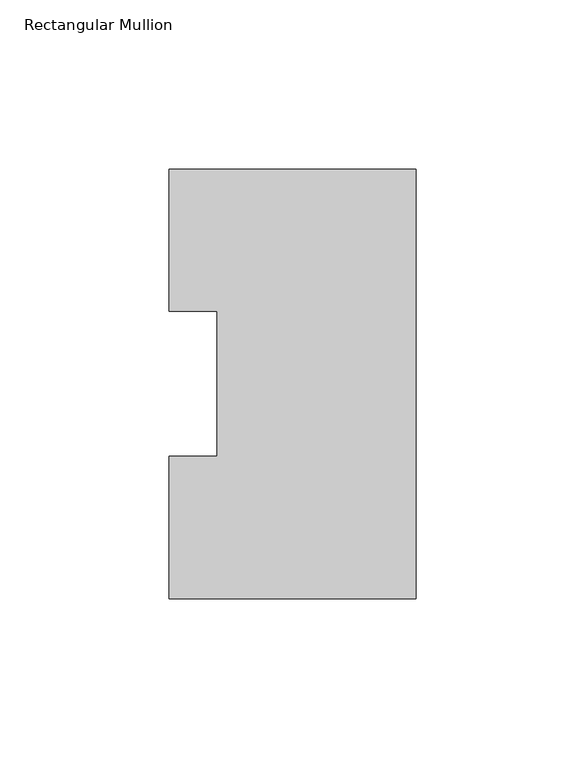
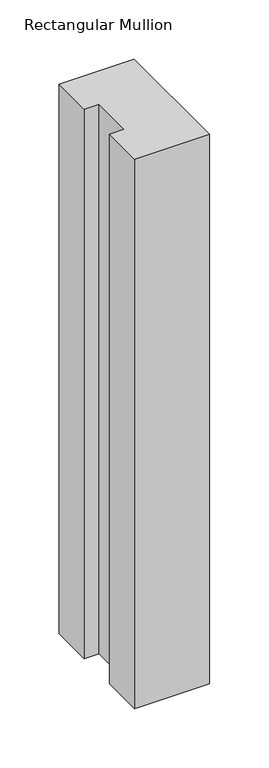
"""IFC4 building model written with IfcOpenShell, lengths in millimetres: member geometry, Rectangular Mullion."""

import ifcopenshell
import ifcopenshell.guid

model = None  # the IFC model being written
_history = None  # IfcOwnerHistory: only IFC2X3 demands one
_inside = {}  # id of a spatial element -> (the spatial element, [elements in it])
_under = {}  # id of a project, library or spatial element -> (it, [spatial elements below it])
_declared = {}  # id of a project -> (the project, [libraries it declares])
_typed = {}  # id of a type object -> (the type object, [elements of that type])
_made_of = {}  # id of a material, layer set ... -> (it, [elements and type objects made of it])


def new_model(schema):
    """Start an empty IFC model of exactly this schema.

    Asked for "IFC4X3", IfcOpenShell would pick the latest addendum, in which some entities
    have other attributes; the version numbers below select the first issue.
    IFC2X3 requires an IfcOwnerHistory on every rooted entity: one is made here for all.
    """
    global model, _history
    if schema == "IFC4X3":
        model = ifcopenshell.file(schema_version=(4, 3, 0, 0))
    else:
        model = ifcopenshell.file(schema=schema)
    _inside.clear()
    _under.clear()
    _declared.clear()
    _typed.clear()
    _made_of.clear()
    _history = None
    if model.schema == "IFC2X3":
        org = make("IfcOrganization", Name="unknown")
        user = make(
            "IfcPersonAndOrganization",
            ThePerson=make("IfcPerson", FamilyName="unknown"),
            TheOrganization=org,
        )
        app = make(
            "IfcApplication",
            ApplicationDeveloper=org,
            Version="unknown",
            ApplicationFullName="unknown",
            ApplicationIdentifier="unknown",
        )
        _history = make(
            "IfcOwnerHistory",
            OwningUser=user,
            OwningApplication=app,
            ChangeAction="ADDED",
            CreationDate=0,
        )
    return model


def make(cls, **values):
    """One entity of the class cls with the attributes given. An attribute that is None is left unset."""
    return model.create_entity(
        cls, **{name: value for name, value in values.items() if value is not None}
    )


def rooted(cls, **values):
    """An entity with a GlobalId (a new one), such as an element, a storey or a relation."""
    return make(cls, GlobalId=ifcopenshell.guid.new(), OwnerHistory=_history, **values)


def si_unit(unit_type, name, prefix=None):
    """IfcSIUnit, for example si_unit("LENGTHUNIT", "METRE", prefix="MILLI")."""
    return make("IfcSIUnit", UnitType=unit_type, Prefix=prefix, Name=name)


def assignment(units):
    """IfcUnitAssignment: the units of a project."""
    return None if units is None else make("IfcUnitAssignment", Units=units)


def point(xyz):
    """IfcCartesianPoint."""
    return None if xyz is None else make("IfcCartesianPoint", Coordinates=xyz)


def direction(xyz):
    """IfcDirection."""
    return None if xyz is None else make("IfcDirection", DirectionRatios=xyz)


def frame(location, z_axis=None, x_axis=None):
    """IfcAxis2Placement3D, a coordinate frame: its origin and axes. An axis left out is left unset."""
    return make(
        "IfcAxis2Placement3D",
        Location=point(location),
        Axis=direction(z_axis),
        RefDirection=direction(x_axis),
    )


def origin():
    """The frame at (0, 0, 0) with its axes left unset."""
    return frame((0.0, 0.0, 0.0))


def place(relative_to, where):
    """IfcLocalPlacement: puts the frame where relative to a parent placement (None: the world)."""
    return make(
        "IfcLocalPlacement", PlacementRelTo=relative_to, RelativePlacement=where
    )


def context(
    kind, dimensions, precision=None, world=None, true_north=None, identifier=None
):
    """IfcGeometricRepresentationContext, for example the 3D "Model" context."""
    return make(
        "IfcGeometricRepresentationContext",
        ContextIdentifier=identifier,
        ContextType=kind,
        CoordinateSpaceDimension=dimensions,
        Precision=precision,
        WorldCoordinateSystem=world,
        TrueNorth=true_north,
    )


def project(units=None, contexts=None):
    """IfcProject with its units and contexts."""
    return rooted(
        "IfcProject",
        Name="project",
        RepresentationContexts=contexts,
        UnitsInContext=assignment(units),
    )


def spatial(cls, under=None, at=None, **own):
    """A site, building, storey or space (cls), placed at a placement, below another one or the project."""
    s = rooted(cls, ObjectPlacement=at, **own)
    if under is not None:
        _under.setdefault(under.id(), (under, []))[1].append(s)
    return s


def polyline(points):
    """IfcPolyline through the points."""
    return make("IfcPolyline", Points=[point(p) for p in points])


def outline(outer, holes=None, kind="AREA"):
    """IfcArbitraryClosedProfileDef: a profile drawn as a closed curve; with holes, ...WithVoids."""
    if holes is None:
        return make("IfcArbitraryClosedProfileDef", ProfileType=kind, OuterCurve=outer)
    return make(
        "IfcArbitraryProfileDefWithVoids",
        ProfileType=kind,
        OuterCurve=outer,
        InnerCurves=holes,
    )


def extrude(swept, where, along, depth):
    """IfcExtrudedAreaSolid: the profile swept, set in the frame where, extruded along a direction by depth."""
    return make(
        "IfcExtrudedAreaSolid",
        SweptArea=swept,
        Position=where,
        ExtrudedDirection=direction(along),
        Depth=depth,
    )


def shape(context_of_items, identifier, shape_type, items):
    """IfcShapeRepresentation: the items that make up one representation, for example the "Body"."""
    return make(
        "IfcShapeRepresentation",
        ContextOfItems=context_of_items,
        RepresentationIdentifier=identifier,
        RepresentationType=shape_type,
        Items=items,
    )


def source(mapping_origin, context_of_items, identifier, shape_type, items):
    """IfcRepresentationMap: a shape defined once, which mapped items show again and again."""
    return make(
        "IfcRepresentationMap",
        MappingOrigin=mapping_origin,
        MappedRepresentation=shape(context_of_items, identifier, shape_type, items),
    )


def transform(
    local_origin,
    x_axis=None,
    y_axis=None,
    z_axis=None,
    scale=None,
    scale2=None,
    scale3=None,
    uniform=True,
):
    """IfcCartesianTransformationOperator3D, or its non-uniform kind. x_axis, y_axis, z_axis: its Axis1, 2, 3."""
    if uniform:
        return make(
            "IfcCartesianTransformationOperator3D",
            Axis1=direction(x_axis),
            Axis2=direction(y_axis),
            LocalOrigin=point(local_origin),
            Scale=scale,
            Axis3=direction(z_axis),
        )
    return make(
        "IfcCartesianTransformationOperator3DnonUniform",
        Axis1=direction(x_axis),
        Axis2=direction(y_axis),
        LocalOrigin=point(local_origin),
        Scale=scale,
        Axis3=direction(z_axis),
        Scale2=scale2,
        Scale3=scale3,
    )


def mapped(mapping_source, mapping_target):
    """IfcMappedItem: shows the shape of a source again, moved by a transform."""
    return make(
        "IfcMappedItem", MappingSource=mapping_source, MappingTarget=mapping_target
    )


def made_of(thing, what):
    """Note that an element or type object is made of a material, layer set ...; save() writes the relation."""
    if what is not None:
        _made_of.setdefault(what.id(), (what, []))[1].append(thing)
    return thing


def element(
    cls,
    number,
    at=None,
    inside=None,
    cuts=None,
    type_object=None,
    material=None,
    context=None,
    identifier="Body",
    shape_type=None,
    held_by="IfcProductDefinitionShape",
    body=None,
    shapes=None,
    **own,
):
    """One element of the class cls, such as IfcWall. Its Tag is "e" and its number.

    at: its placement. inside: the storey or other place that contains it. cuts: it is an
    opening in that element (IfcRelVoidsElement). A single representation is given by context,
    identifier, shape_type and body (its items); several are given by shapes. held_by: the class
    of the entity that holds the representations. save() writes the other relations.
    """
    e = rooted(cls, Tag="e%d" % number, ObjectPlacement=at, **own)
    if body is not None:
        shapes = [shape(context, identifier, shape_type, body)]
    if shapes is not None:
        e.Representation = make(held_by, Representations=shapes)
    if inside is not None:
        _inside.setdefault(inside.id(), (inside, []))[1].append(e)
    if cuts is not None:
        rooted(
            "IfcRelVoidsElement", RelatingBuildingElement=cuts, RelatedOpeningElement=e
        )
    if type_object is not None:
        _typed.setdefault(type_object.id(), (type_object, []))[1].append(e)
    return made_of(e, material)


def aggregate(whole, parts):
    """IfcRelAggregates: a whole, such as a stair, and the parts it consists of."""
    return rooted("IfcRelAggregates", RelatingObject=whole, RelatedObjects=parts)


def save(model, path):
    """Write the relations noted so far, then the file.

    IfcRelAggregates (storeys below a building ...), IfcRelContainedInSpatialStructure (elements
    in a storey), IfcRelDefinesByType, IfcRelAssociatesMaterial and IfcRelDeclares: one each for
    every whole, place, type object, material and project.
    """
    for whole, parts in _under.values():
        aggregate(whole, parts)
    for where, things in _inside.values():
        rooted(
            "IfcRelContainedInSpatialStructure",
            RelatedElements=things,
            RelatingStructure=where,
        )
    for kind, things in _typed.values():
        rooted("IfcRelDefinesByType", RelatedObjects=things, RelatingType=kind)
    for what, things in _made_of.values():
        rooted("IfcRelAssociatesMaterial", RelatedObjects=things, RelatingMaterial=what)
    for by, libraries in _declared.values():
        rooted("IfcRelDeclares", RelatingContext=by, RelatedDefinitions=libraries)
    model.write(path)


def rectangular_mullion_6fdeaef1(model_context):
    return source(origin(), model_context, "Body", "SweptSolid", [
        extrude(outline(polyline([(0.0, 127.006348), (0.0, 0.0063465), (-73.025, 0.0063465), (-73.025, 42.0814491), (-58.7375, 42.0814491), (-58.7375, 84.93125), (-73.025, 84.93125), (-73.025, 127.006348), (0.0, 127.006348)])), frame((0.0, 0.0, -565.1563826), z_axis=(0.0, 0.0, 1.0), x_axis=(1.0, 0.0, 0.0)), (0.0, 0.0, 1.0), 565.1563826),
    ])


if __name__ == "__main__":
    model = new_model("IFC4")
    model_context = context("Model", 3, world=origin())
    ifc_project = project(units=[si_unit("LENGTHUNIT", "METRE", prefix="MILLI")], contexts=[model_context])
    site = spatial("IfcSite", under=ifc_project)
    building = spatial("IfcBuilding", under=site)
    placement = place(None, origin())
    rectangular_mullion_shape = rectangular_mullion_6fdeaef1(model_context)
    element("IfcMember", 1, ObjectType="Rectangular Mullion", at=placement, inside=building, context=model_context, shape_type="MappedRepresentation", body=[
        mapped(rectangular_mullion_shape, transform((0.0, 0.0, 0.0), x_axis=(1.0, 0.0, 0.0), y_axis=(0.0, 1.0, 0.0), z_axis=(0.0, 0.0, 1.0))),
    ])
    save(model, "model.ifc")
